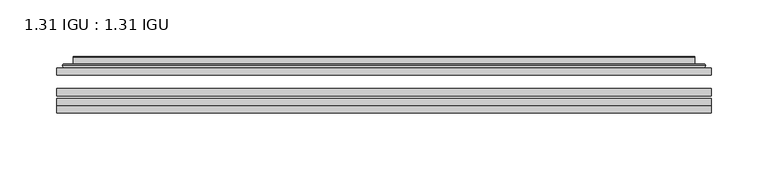
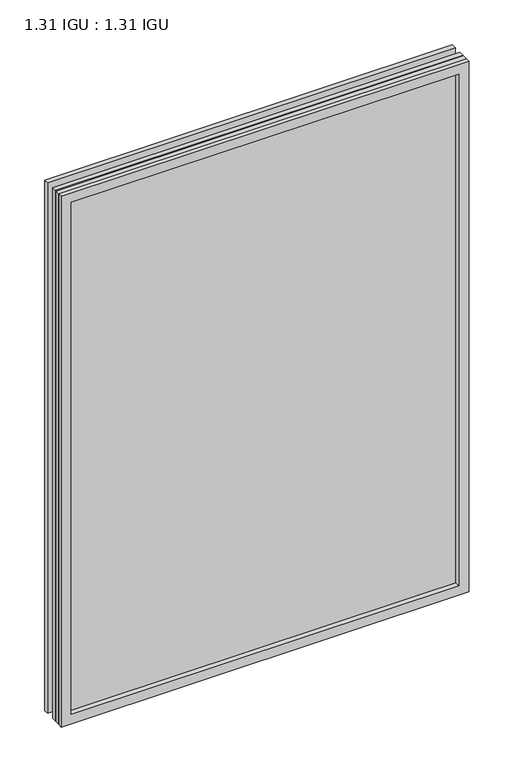
"""IFC4 building model written with IfcOpenShell, lengths in millimetres: plate geometry, 1.31 IGU : 1.31 IGU."""

import ifcopenshell
import ifcopenshell.guid

model = None  # the IFC model being written
_history = None  # IfcOwnerHistory: only IFC2X3 demands one
_inside = {}  # id of a spatial element -> (the spatial element, [elements in it])
_under = {}  # id of a project, library or spatial element -> (it, [spatial elements below it])
_declared = {}  # id of a project -> (the project, [libraries it declares])
_typed = {}  # id of a type object -> (the type object, [elements of that type])
_made_of = {}  # id of a material, layer set ... -> (it, [elements and type objects made of it])


def new_model(schema):
    """Start an empty IFC model of exactly this schema.

    Asked for "IFC4X3", IfcOpenShell would pick the latest addendum, in which some entities
    have other attributes; the version numbers below select the first issue.
    IFC2X3 requires an IfcOwnerHistory on every rooted entity: one is made here for all.
    """
    global model, _history
    if schema == "IFC4X3":
        model = ifcopenshell.file(schema_version=(4, 3, 0, 0))
    else:
        model = ifcopenshell.file(schema=schema)
    _inside.clear()
    _under.clear()
    _declared.clear()
    _typed.clear()
    _made_of.clear()
    _history = None
    if model.schema == "IFC2X3":
        org = make("IfcOrganization", Name="unknown")
        user = make(
            "IfcPersonAndOrganization",
            ThePerson=make("IfcPerson", FamilyName="unknown"),
            TheOrganization=org,
        )
        app = make(
            "IfcApplication",
            ApplicationDeveloper=org,
            Version="unknown",
            ApplicationFullName="unknown",
            ApplicationIdentifier="unknown",
        )
        _history = make(
            "IfcOwnerHistory",
            OwningUser=user,
            OwningApplication=app,
            ChangeAction="ADDED",
            CreationDate=0,
        )
    return model


def make(cls, **values):
    """One entity of the class cls with the attributes given. An attribute that is None is left unset."""
    return model.create_entity(
        cls, **{name: value for name, value in values.items() if value is not None}
    )


def rooted(cls, **values):
    """An entity with a GlobalId (a new one), such as an element, a storey or a relation."""
    return make(cls, GlobalId=ifcopenshell.guid.new(), OwnerHistory=_history, **values)


def si_unit(unit_type, name, prefix=None):
    """IfcSIUnit, for example si_unit("LENGTHUNIT", "METRE", prefix="MILLI")."""
    return make("IfcSIUnit", UnitType=unit_type, Prefix=prefix, Name=name)


def assignment(units):
    """IfcUnitAssignment: the units of a project."""
    return None if units is None else make("IfcUnitAssignment", Units=units)


def point(xyz):
    """IfcCartesianPoint."""
    return None if xyz is None else make("IfcCartesianPoint", Coordinates=xyz)


def direction(xyz):
    """IfcDirection."""
    return None if xyz is None else make("IfcDirection", DirectionRatios=xyz)


def frame(location, z_axis=None, x_axis=None):
    """IfcAxis2Placement3D, a coordinate frame: its origin and axes. An axis left out is left unset."""
    return make(
        "IfcAxis2Placement3D",
        Location=point(location),
        Axis=direction(z_axis),
        RefDirection=direction(x_axis),
    )


def origin():
    """The frame at (0, 0, 0) with its axes left unset."""
    return frame((0.0, 0.0, 0.0))


def place(relative_to, where):
    """IfcLocalPlacement: puts the frame where relative to a parent placement (None: the world)."""
    return make(
        "IfcLocalPlacement", PlacementRelTo=relative_to, RelativePlacement=where
    )


def context(
    kind, dimensions, precision=None, world=None, true_north=None, identifier=None
):
    """IfcGeometricRepresentationContext, for example the 3D "Model" context."""
    return make(
        "IfcGeometricRepresentationContext",
        ContextIdentifier=identifier,
        ContextType=kind,
        CoordinateSpaceDimension=dimensions,
        Precision=precision,
        WorldCoordinateSystem=world,
        TrueNorth=true_north,
    )


def project(units=None, contexts=None):
    """IfcProject with its units and contexts."""
    return rooted(
        "IfcProject",
        Name="project",
        RepresentationContexts=contexts,
        UnitsInContext=assignment(units),
    )


def spatial(cls, under=None, at=None, **own):
    """A site, building, storey or space (cls), placed at a placement, below another one or the project."""
    s = rooted(cls, ObjectPlacement=at, **own)
    if under is not None:
        _under.setdefault(under.id(), (under, []))[1].append(s)
    return s


def polyline(points):
    """IfcPolyline through the points."""
    return make("IfcPolyline", Points=[point(p) for p in points])


def ellipse_curve(where, semi_axis1, semi_axis2):
    """IfcEllipse in the frame where."""
    return make(
        "IfcEllipse", Position=where, SemiAxis1=semi_axis1, SemiAxis2=semi_axis2
    )


def outline(outer, holes=None, kind="AREA"):
    """IfcArbitraryClosedProfileDef: a profile drawn as a closed curve; with holes, ...WithVoids."""
    if holes is None:
        return make("IfcArbitraryClosedProfileDef", ProfileType=kind, OuterCurve=outer)
    return make(
        "IfcArbitraryProfileDefWithVoids",
        ProfileType=kind,
        OuterCurve=outer,
        InnerCurves=holes,
    )


def extrude(swept, where, along, depth):
    """IfcExtrudedAreaSolid: the profile swept, set in the frame where, extruded along a direction by depth."""
    return make(
        "IfcExtrudedAreaSolid",
        SweptArea=swept,
        Position=where,
        ExtrudedDirection=direction(along),
        Depth=depth,
    )


def faces_of(points, faces, orient=None, outer=None):
    """IfcFace entities. A face is a list of loops; a loop is a list of indices into points, from 0.

    orient and outer hold one flag for each loop. By default every Orientation is true, the
    first loop of a face is its IfcFaceOuterBound and the others are IfcFaceBound.
    """
    made = []
    for i, loops in enumerate(faces):
        bounds = []
        for j, loop in enumerate(loops):
            is_outer = j == 0 if outer is None else outer[i][j]
            bounds.append(
                make(
                    "IfcFaceOuterBound" if is_outer else "IfcFaceBound",
                    Bound=make("IfcPolyLoop", Polygon=[points[k] for k in loop]),
                    Orientation=True if orient is None else orient[i][j],
                )
            )
        made.append(make("IfcFace", Bounds=bounds))
    return made


def faceted_brep(points, faces, orient=None, outer=None, voids=None):
    """IfcFacetedBrep: a solid bounded by flat faces; with voids (closed shells), ...WithVoids."""
    shared = [point(p) for p in points]
    hull = make("IfcClosedShell", CfsFaces=faces_of(shared, faces, orient, outer))
    if voids is None:
        return make("IfcFacetedBrep", Outer=hull)
    return make(
        "IfcFacetedBrepWithVoids",
        Outer=hull,
        Voids=[
            make(cls, CfsFaces=faces_of(shared, fs, o, b)) for cls, fs, o, b in voids
        ],
    )


def shape(context_of_items, identifier, shape_type, items):
    """IfcShapeRepresentation: the items that make up one representation, for example the "Body"."""
    return make(
        "IfcShapeRepresentation",
        ContextOfItems=context_of_items,
        RepresentationIdentifier=identifier,
        RepresentationType=shape_type,
        Items=items,
    )


def source(mapping_origin, context_of_items, identifier, shape_type, items):
    """IfcRepresentationMap: a shape defined once, which mapped items show again and again."""
    return make(
        "IfcRepresentationMap",
        MappingOrigin=mapping_origin,
        MappedRepresentation=shape(context_of_items, identifier, shape_type, items),
    )


def transform(
    local_origin,
    x_axis=None,
    y_axis=None,
    z_axis=None,
    scale=None,
    scale2=None,
    scale3=None,
    uniform=True,
):
    """IfcCartesianTransformationOperator3D, or its non-uniform kind. x_axis, y_axis, z_axis: its Axis1, 2, 3."""
    if uniform:
        return make(
            "IfcCartesianTransformationOperator3D",
            Axis1=direction(x_axis),
            Axis2=direction(y_axis),
            LocalOrigin=point(local_origin),
            Scale=scale,
            Axis3=direction(z_axis),
        )
    return make(
        "IfcCartesianTransformationOperator3DnonUniform",
        Axis1=direction(x_axis),
        Axis2=direction(y_axis),
        LocalOrigin=point(local_origin),
        Scale=scale,
        Axis3=direction(z_axis),
        Scale2=scale2,
        Scale3=scale3,
    )


def mapped(mapping_source, mapping_target):
    """IfcMappedItem: shows the shape of a source again, moved by a transform."""
    return make(
        "IfcMappedItem", MappingSource=mapping_source, MappingTarget=mapping_target
    )


def made_of(thing, what):
    """Note that an element or type object is made of a material, layer set ...; save() writes the relation."""
    if what is not None:
        _made_of.setdefault(what.id(), (what, []))[1].append(thing)
    return thing


def element(
    cls,
    number,
    at=None,
    inside=None,
    cuts=None,
    type_object=None,
    material=None,
    context=None,
    identifier="Body",
    shape_type=None,
    held_by="IfcProductDefinitionShape",
    body=None,
    shapes=None,
    **own,
):
    """One element of the class cls, such as IfcWall. Its Tag is "e" and its number.

    at: its placement. inside: the storey or other place that contains it. cuts: it is an
    opening in that element (IfcRelVoidsElement). A single representation is given by context,
    identifier, shape_type and body (its items); several are given by shapes. held_by: the class
    of the entity that holds the representations. save() writes the other relations.
    """
    e = rooted(cls, Tag="e%d" % number, ObjectPlacement=at, **own)
    if body is not None:
        shapes = [shape(context, identifier, shape_type, body)]
    if shapes is not None:
        e.Representation = make(held_by, Representations=shapes)
    if inside is not None:
        _inside.setdefault(inside.id(), (inside, []))[1].append(e)
    if cuts is not None:
        rooted(
            "IfcRelVoidsElement", RelatingBuildingElement=cuts, RelatedOpeningElement=e
        )
    if type_object is not None:
        _typed.setdefault(type_object.id(), (type_object, []))[1].append(e)
    return made_of(e, material)


def aggregate(whole, parts):
    """IfcRelAggregates: a whole, such as a stair, and the parts it consists of."""
    return rooted("IfcRelAggregates", RelatingObject=whole, RelatedObjects=parts)


def save(model, path):
    """Write the relations noted so far, then the file.

    IfcRelAggregates (storeys below a building ...), IfcRelContainedInSpatialStructure (elements
    in a storey), IfcRelDefinesByType, IfcRelAssociatesMaterial and IfcRelDeclares: one each for
    every whole, place, type object, material and project.
    """
    for whole, parts in _under.values():
        aggregate(whole, parts)
    for where, things in _inside.values():
        rooted(
            "IfcRelContainedInSpatialStructure",
            RelatedElements=things,
            RelatingStructure=where,
        )
    for kind, things in _typed.values():
        rooted("IfcRelDefinesByType", RelatedObjects=things, RelatingType=kind)
    for what, things in _made_of.values():
        rooted("IfcRelAssociatesMaterial", RelatedObjects=things, RelatingMaterial=what)
    for by, libraries in _declared.values():
        rooted("IfcRelDeclares", RelatingContext=by, RelatedDefinitions=libraries)
    model.write(path)


def plane_surface(at):
    """IfcPlane: the flat surface through the origin of the frame at, square to its z axis."""
    return make("IfcPlane", Position=at)


def cylinder_surface(at, radius):
    """IfcCylindricalSurface: all points at the distance radius from the z axis of the frame at."""
    return make("IfcCylindricalSurface", Position=at, Radius=radius)


def advanced_brep(points, edges, surfaces, faces):
    """IfcAdvancedBrep: a solid bounded by faces that lie on surfaces and meet in shared edges.

    An edge is (start, end): straight between two places in points (the first is 0);
    or (start, end, curve); or (start, end, curve, False) where it runs against its curve.
    A face is (place in surfaces, loops), or (place, loops, False) where it looks against
    its surface's normal. A loop lists edges by number (the first is 1), with a minus sign
    where the edge is run from its end to its start. The first loop is the outer one.
    """
    corners = [point(p) for p in points]
    vertices = [make("IfcVertexPoint", VertexGeometry=c) for c in corners]
    made = []
    for start, end, *more in edges:
        made.append(
            make(
                "IfcEdgeCurve",
                EdgeStart=vertices[start],
                EdgeEnd=vertices[end],
                EdgeGeometry=more[0] if more else make("IfcPolyline", Points=[corners[start], corners[end]]),
                SameSense=more[1] if len(more) > 1 else True,
            )
        )
    hull = []
    for where, loops, *sense in faces:
        bounds = []
        for j, loop in enumerate(loops):
            ring = [make("IfcOrientedEdge", EdgeElement=made[abs(k) - 1], Orientation=k > 0) for k in loop]
            bounds.append(
                make(
                    "IfcFaceOuterBound" if j == 0 else "IfcFaceBound",
                    Bound=make("IfcEdgeLoop", EdgeList=ring),
                    Orientation=True,
                )
            )
        hull.append(make("IfcAdvancedFace", Bounds=bounds, FaceSurface=surfaces[where], SameSense=sense[0] if sense else True))
    return make("IfcAdvancedBrep", Outer=make("IfcClosedShell", CfsFaces=hull))


def plate_1_31_igu_1_31_igu_20f6e3ad(model_context):
    return source(origin(), model_context, "Body", "SolidModel", [
        extrude(outline(polyline([(287.351675, -63.2975937), (287.351675, -69.6475938), (-287.3375, -69.6475938), (-287.3375, -63.2975937), (287.351675, -63.2975937)])), frame((0.0, 0.0, -14.2875), z_axis=(0.0, 0.0, 1.0), x_axis=(1.0, 0.0, 0.0)), (0.0, 0.0, 1.0), 790.596575),
        extrude(outline(polyline([(-287.3375, -78.2835938), (-287.3375, -71.9330887), (287.351675, -71.9330887), (287.351675, -78.2835938), (-287.3375, -78.2835938)])), frame((0.0, 0.0, -14.2875), z_axis=(0.0, 0.0, 1.0), x_axis=(1.0, 0.0, 0.0)), (0.0, 0.0, 1.0), 790.596575),
        extrude(outline(polyline([(287.351675, -44.9587937), (287.351675, -51.3087938), (-287.3375, -51.3087938), (-287.3375, -44.9587937), (287.351675, -44.9587937)])), frame((0.0, 0.0, -14.2875), z_axis=(0.0, 0.0, 1.0), x_axis=(1.0, 0.0, 0.0)), (0.0, 0.0, 1.0), 790.596575),
        faceted_brep([(-287.3502, -84.6335937, 776.3179772), (-287.3502, -78.2835937, 776.3179772), (-287.3502, -78.2835937, -14.3002), (-287.3502, -84.6335937, -14.3002), (287.3502, -78.2835937, -14.3002), (287.3502, -84.6335937, -14.3002), (287.3502, -78.2835937, 776.3179772), (287.3502, -84.6335937, 776.3179772), (-272.1522559, -78.2835937, 0.8977441), (272.1522559, -78.2835937, 0.8977441), (272.1522559, -78.2835937, 761.120033), (-272.1522559, -78.2835937, 761.120033), (-273.0446902, -84.6335937, 762.0124673), (273.0446902, -84.6335937, 762.0124673), (273.0446902, -84.6335937, 0.0053098), (-273.0446902, -84.6335937, 0.0053098)], [[[0, 1, 2, 3]], [[3, 2, 4, 5]], [[5, 4, 6, 7]], [[1, 6, 4, 2], [8, 9, 10, 11]], [[7, 6, 1, 0]], [[3, 5, 7, 0], [12, 13, 14, 15]], [[11, 12, 15, 8]], [[8, 15, 14, 9]], [[9, 14, 13, 10]], [[10, 13, 12, 11]]]),
        advanced_brep(
        [(-280.096219, -44.9587937, 769.0639962), (-282.4504244, -42.9691271, 771.4182015), (-282.4504244, -42.9691271, -9.4004244), (-280.096219, -44.9587937, -7.046219), (-271.0218939, -41.1187568, 759.9896711), (-266.0870621, -44.9587937, 755.0548392), (-266.0870621, -44.9587937, 6.9629379), (-271.0218939, -41.1187568, 2.0281061), (-272.0539217, -35.7215256, 761.0216988), (-272.0539217, -35.7215256, 0.9960783), (-273.0445784, -35.3225507, 762.0123556), (-273.0445784, -35.3225507, 0.0054216), (-273.0445784, -41.7837937, 762.0123556), (-273.0445784, -41.7837937, 0.0054216), (-281.4486349, -41.7837937, 770.416412), (-281.4486349, -41.7837937, -8.3986349), (282.4504244, -42.9691271, -9.4004244), (280.096219, -44.9587937, -7.046219), (266.0870621, -44.9587937, 6.9629379), (271.0218939, -41.1187568, 2.0281061), (272.0539217, -35.7215256, 0.9960783), (273.0445784, -35.3225507, 0.0054216), (273.0445784, -41.7837937, 0.0054216), (281.4486349, -41.7837937, -8.3986349), (282.4504244, -42.9691271, 771.4182015), (280.096219, -44.9587937, 769.0639962), (266.0870621, -44.9587937, 755.0548392), (271.0218939, -41.1187568, 759.9896711), (272.0539217, -35.7215256, 761.0216988), (273.0445784, -35.3225507, 762.0123556), (273.0445784, -41.7837937, 762.0123556), (281.4486349, -41.7837937, 770.416412)],
        [
            (0, 1, ellipse_curve(frame((-280.096219, -42.5711937, 769.0639962), z_axis=(-0.7071067811865475, 0.0, -0.7071067811865475), x_axis=(-0.7071067811865474, 0.0, 0.7071067811865476)), 3.3765763, 2.3876)),
            (1, 2),
            (2, 3, ellipse_curve(frame((-280.096219, -42.5711937, -7.046219), z_axis=(-0.7071067811865475, 0.0, 0.7071067811865475), x_axis=(0.7071067811865474, 0.0, 0.7071067811865476)), 3.3765763, 2.3876)),
            (3, 0),
            (4, 5),
            (5, 6),
            (6, 7),
            (7, 4),
            (8, 4),
            (7, 9),
            (9, 8),
            (10, 8, ellipse_curve(frame((-272.6776219, -35.840786, 761.645399), z_axis=(-0.7071067811865475, 0.0, -0.7071067811865475), x_axis=(-0.7071067811865474, 0.0, 0.7071067811865476)), 0.8980256, 0.635)),
            (9, 11, ellipse_curve(frame((-272.6776219, -35.840786, 0.3723781), z_axis=(-0.7071067811865475, 0.0, 0.7071067811865475), x_axis=(0.7071067811865474, 0.0, 0.7071067811865476)), 0.8980256, 0.635)),
            (11, 10),
            (12, 10),
            (11, 13),
            (13, 12),
            (1, 14, ellipse_curve(frame((-281.4486349, -42.7997937, 770.416412), z_axis=(-0.7071067811865475, 0.0, -0.7071067811865475), x_axis=(-0.7071067811865474, 0.0, 0.7071067811865476)), 1.436841, 1.016)),
            (14, 15),
            (15, 2, ellipse_curve(frame((-281.4486349, -42.7997937, -8.3986349), z_axis=(-0.7071067811865475, 0.0, 0.7071067811865475), x_axis=(0.7071067811865474, 0.0, 0.7071067811865476)), 1.436841, 1.016)),
            (2, 16),
            (16, 17, ellipse_curve(frame((280.096219, -42.5711937, -7.046219), z_axis=(-0.7071067811865475, 0.0, -0.7071067811865475), x_axis=(-0.7071067811865476, 0.0, 0.7071067811865474)), 3.3765763, 2.3876)),
            (17, 3),
            (6, 18),
            (18, 19),
            (19, 7),
            (19, 20),
            (20, 9),
            (20, 21, ellipse_curve(frame((272.6776219, -35.840786, 0.3723781), z_axis=(-0.7071067811865475, 0.0, -0.7071067811865475), x_axis=(-0.7071067811865476, 0.0, 0.7071067811865474)), 0.8980256, 0.635)),
            (21, 11),
            (21, 22),
            (22, 13),
            (15, 23),
            (23, 16, ellipse_curve(frame((281.4486349, -42.7997937, -8.3986349), z_axis=(-0.7071067811865475, 0.0, -0.7071067811865475), x_axis=(-0.7071067811865476, 0.0, 0.7071067811865474)), 1.436841, 1.016)),
            (16, 24),
            (24, 25, ellipse_curve(frame((280.096219, -42.5711937, 769.0639962), z_axis=(0.7071067811865475, 0.0, -0.7071067811865475), x_axis=(-0.7071067811865474, 0.0, -0.7071067811865476)), 3.3765763, 2.3876)),
            (25, 17),
            (18, 26),
            (26, 27),
            (27, 19),
            (27, 28),
            (28, 20),
            (28, 29, ellipse_curve(frame((272.6776219, -35.840786, 761.645399), z_axis=(0.7071067811865475, 0.0, -0.7071067811865475), x_axis=(-0.7071067811865474, 0.0, -0.7071067811865476)), 0.8980256, 0.635)),
            (29, 21),
            (29, 30),
            (30, 22),
            (23, 31),
            (31, 24, ellipse_curve(frame((281.4486349, -42.7997937, 770.416412), z_axis=(0.7071067811865475, 0.0, -0.7071067811865475), x_axis=(-0.7071067811865474, 0.0, -0.7071067811865476)), 1.436841, 1.016)),
            (24, 1),
            (0, 25),
            (5, 26),
            (4, 27),
            (8, 28),
            (10, 29),
            (12, 30),
            (14, 31),
        ],
        [
            cylinder_surface(frame((-280.096219, -42.5711937, 793.7677772), z_axis=(0.0, 0.0, 1.0), x_axis=(-1.0, 0.0, 0.0)), 2.3876),
            plane_surface(frame((-266.0870621, -44.9587937, 755.0548392), z_axis=(0.6141233906514794, 0.7892100234124821, 0.0), x_axis=(0.0, 0.0, -1.0))),
            plane_surface(frame((-271.0218939, -41.1187568, 759.9896711), z_axis=(0.9822050625507729, 0.18781164793386076, 0.0), x_axis=(0.0, 0.0, -1.0))),
            cylinder_surface(frame((-272.6776219, -35.840786, 793.7677772), z_axis=(0.0, 0.0, 1.0), x_axis=(-1.0, 0.0, 0.0)), 0.635),
            plane_surface(frame((-273.0445784, -35.3225507, 762.0123556), z_axis=(-1.0, 0.0, 0.0), x_axis=(0.0, 0.0, -1.0))),
            cylinder_surface(frame((-281.4486349, -42.7997937, 793.7677772), z_axis=(0.0, 0.0, 1.0), x_axis=(-1.0, 0.0, 0.0)), 1.016),
            cylinder_surface(frame((-304.8, -42.5711937, -7.046219), z_axis=(-1.0, 0.0, 0.0), x_axis=(0.0, 0.0, -1.0)), 2.3876),
            plane_surface(frame((-266.0870621, -44.9587937, 6.9629379), z_axis=(0.0, 0.7892100234124841, 0.6141233906514768), x_axis=(1.0, 0.0, 0.0))),
            plane_surface(frame((-271.0218939, -41.1187568, 2.0281061), z_axis=(0.0, 0.18781164793386393, 0.9822050625507723), x_axis=(1.0, 0.0, 0.0))),
            cylinder_surface(frame((-304.8, -35.840786, 0.3723781), z_axis=(-1.0, 0.0, 0.0), x_axis=(0.0, 0.0, -1.0)), 0.635),
            plane_surface(frame((-273.0445784, -35.3225507, 0.0054216), z_axis=(0.0, 0.0, -1.0), x_axis=(1.0, 0.0, 0.0))),
            cylinder_surface(frame((-304.8, -42.7997937, -8.3986349), z_axis=(-1.0, 0.0, 0.0), x_axis=(0.0, 0.0, -1.0)), 1.016),
            cylinder_surface(frame((280.096219, -42.5711937, -31.75), z_axis=(0.0, 0.0, -1.0), x_axis=(1.0, 0.0, 0.0)), 2.3876),
            plane_surface(frame((266.0870621, -44.9587937, 6.9629379), z_axis=(-0.6141233906514743, 0.7892100234124861, 0.0), x_axis=(0.0, 0.0, 1.0))),
            plane_surface(frame((271.0218939, -41.1187568, 2.0281061), z_axis=(-0.9822050625507718, 0.1878116479338671, 0.0), x_axis=(0.0, 0.0, 1.0))),
            cylinder_surface(frame((272.6776219, -35.840786, -31.75), z_axis=(0.0, 0.0, -1.0), x_axis=(1.0, 0.0, 0.0)), 0.635),
            plane_surface(frame((273.0445784, -35.3225507, 0.0054216), z_axis=(1.0, 0.0, 0.0), x_axis=(0.0, 0.0, 1.0))),
            cylinder_surface(frame((281.4486349, -42.7997937, -31.75), z_axis=(0.0, 0.0, -1.0), x_axis=(1.0, 0.0, 0.0)), 1.016),
            cylinder_surface(frame((304.8, -42.5711937, 769.0639962), z_axis=(1.0, 0.0, 0.0), x_axis=(0.0, 0.0, 1.0)), 2.3876),
            plane_surface(frame((280.096219, -44.9587937, 769.0639962), z_axis=(0.0, -1.0, 0.0), x_axis=(-1.0, 0.0, 0.0))),
            plane_surface(frame((266.0870621, -44.9587937, 755.0548392), z_axis=(0.0, 0.7892100234124841, -0.6141233906514768), x_axis=(-1.0, 0.0, 0.0))),
            plane_surface(frame((271.0218939, -41.1187568, 759.9896711), z_axis=(0.0, 0.18781164793386393, -0.9822050625507723), x_axis=(-1.0, 0.0, 0.0))),
            cylinder_surface(frame((304.8, -35.840786, 761.645399), z_axis=(1.0, 0.0, 0.0), x_axis=(0.0, 0.0, 1.0)), 0.635),
            plane_surface(frame((273.0445784, -35.3225507, 762.0123556), z_axis=(0.0, 0.0, 1.0), x_axis=(-1.0, 0.0, 0.0))),
            plane_surface(frame((273.0445784, -41.7837937, 762.0123556), z_axis=(0.0, 1.0, 0.0), x_axis=(-1.0, 0.0, 0.0))),
            cylinder_surface(frame((304.8, -42.7997937, 770.416412), z_axis=(1.0, 0.0, 0.0), x_axis=(0.0, 0.0, 1.0)), 1.016),
        ],
        [
            (0, [[1, 2, 3, 4]]),
            (1, [[5, 6, 7, 8]]),
            (2, [[9, -8, 10, 11]]),
            (3, [[12, -11, 13, 14]]),
            (4, [[15, -14, 16, 17]]),
            (5, [[18, 19, 20, -2]]),
            (6, [[-3, 21, 22, 23]]),
            (7, [[-7, 24, 25, 26]]),
            (8, [[-10, -26, 27, 28]]),
            (9, [[-13, -28, 29, 30]]),
            (10, [[-16, -30, 31, 32]]),
            (11, [[-20, 33, 34, -21]]),
            (12, [[-22, 35, 36, 37]]),
            (13, [[-25, 38, 39, 40]]),
            (14, [[-27, -40, 41, 42]]),
            (15, [[-29, -42, 43, 44]]),
            (16, [[-31, -44, 45, 46]]),
            (17, [[-34, 47, 48, -35]]),
            (18, [[-36, 49, -1, 50]]),
            (19, [[-23, -37, -50, -4], [51, -38, -24, -6]]),
            (20, [[-39, -51, -5, 52]]),
            (21, [[-41, -52, -9, 53]]),
            (22, [[-43, -53, -12, 54]]),
            (23, [[-45, -54, -15, 55]]),
            (24, [[56, -47, -33, -19], [-32, -46, -55, -17]]),
            (25, [[-48, -56, -18, -49]]),
        ],
    ),
    ])


if __name__ == "__main__":
    model = new_model("IFC4")
    model_context = context("Model", 3, world=origin())
    ifc_project = project(units=[si_unit("LENGTHUNIT", "METRE", prefix="MILLI")], contexts=[model_context])
    site = spatial("IfcSite", under=ifc_project)
    building = spatial("IfcBuilding", under=site)
    placement = place(None, origin())
    plate_1_31_igu_1_31_igu_shape = plate_1_31_igu_1_31_igu_20f6e3ad(model_context)
    element("IfcPlate", 1, ObjectType="1.31 IGU : 1.31 IGU", at=placement, inside=building, context=model_context, shape_type="MappedRepresentation", body=[
        mapped(plate_1_31_igu_1_31_igu_shape, transform((0.0, 0.0, 0.0), x_axis=(1.0, 0.0, 0.0), y_axis=(0.0, 1.0, 0.0), z_axis=(0.0, 0.0, 1.0))),
    ])
    save(model, "model.ifc")
